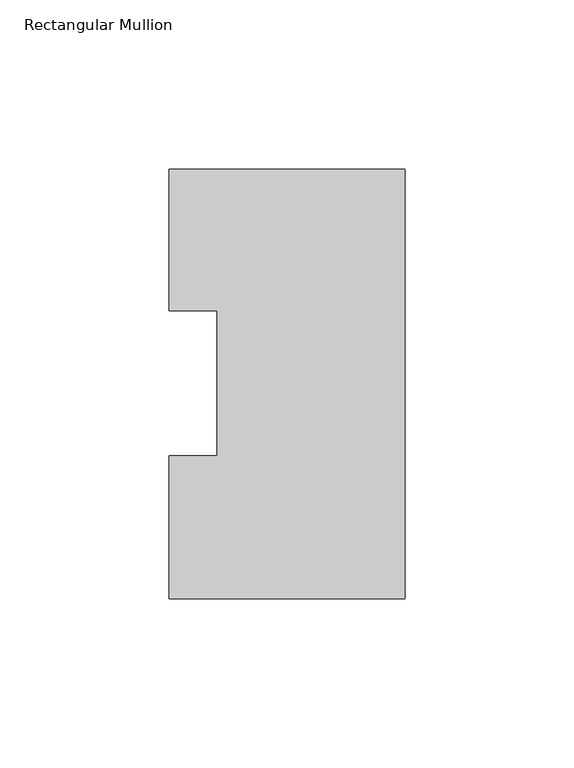
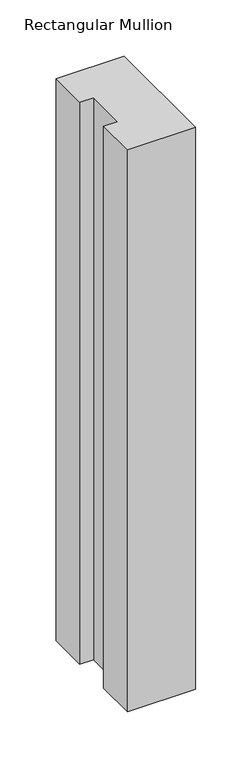
"""IFC4 building model written with IfcOpenShell, lengths in millimetres: member geometry, Rectangular Mullion."""

from ifc_helpers import new_model, si_unit, frame, origin, place, context, project, spatial, polyline, outline, extrude, source, transform, mapped, element, save


def rectangular_mullion_4c6dd786(model_context):
    return source(origin(), model_context, "Body", "SweptSolid", [
        extrude(outline(polyline([(-69.8489149, -0.0111125), (-69.8489149, 42.2798875), (-55.5639549, 42.2798875), (-55.5639549, 85.1296875), (-69.8489149, 85.1296875), (-69.8489149, 126.9888875), (0.0, 126.9888875), (0.0, -0.0111125), (-69.8489149, -0.0111125)])), frame((0.0, 0.0, -609.6), z_axis=(0.0, 0.0, 1.0), x_axis=(1.0, 0.0, 0.0)), (0.0, 0.0, 1.0), 609.6),
    ])


if __name__ == "__main__":
    model = new_model("IFC4")
    model_context = context("Model", 3, world=origin())
    ifc_project = project(units=[si_unit("LENGTHUNIT", "METRE", prefix="MILLI")], contexts=[model_context])
    site = spatial("IfcSite", under=ifc_project)
    building = spatial("IfcBuilding", under=site)
    placement = place(None, origin())
    rectangular_mullion_shape = rectangular_mullion_4c6dd786(model_context)
    element("IfcMember", 1, ObjectType="Rectangular Mullion", at=placement, inside=building, context=model_context, shape_type="MappedRepresentation", body=[
        mapped(rectangular_mullion_shape, transform((0.0, 0.0, 0.0), x_axis=(1.0, 0.0, 0.0), y_axis=(0.0, 1.0, 0.0), z_axis=(0.0, 0.0, 1.0))),
    ])
    save(model, "model.ifc")
